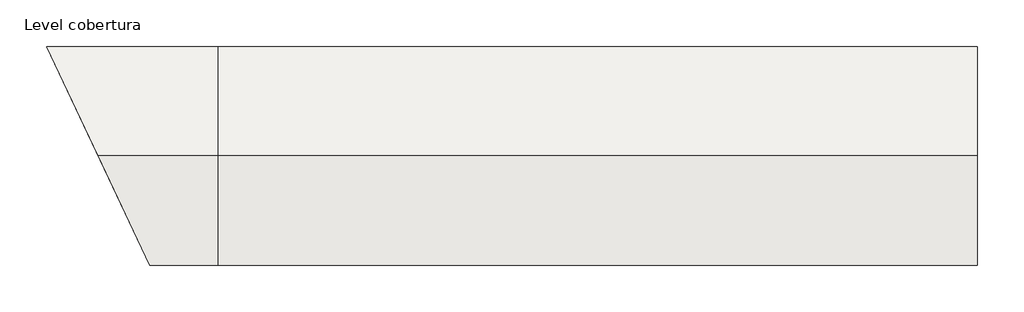
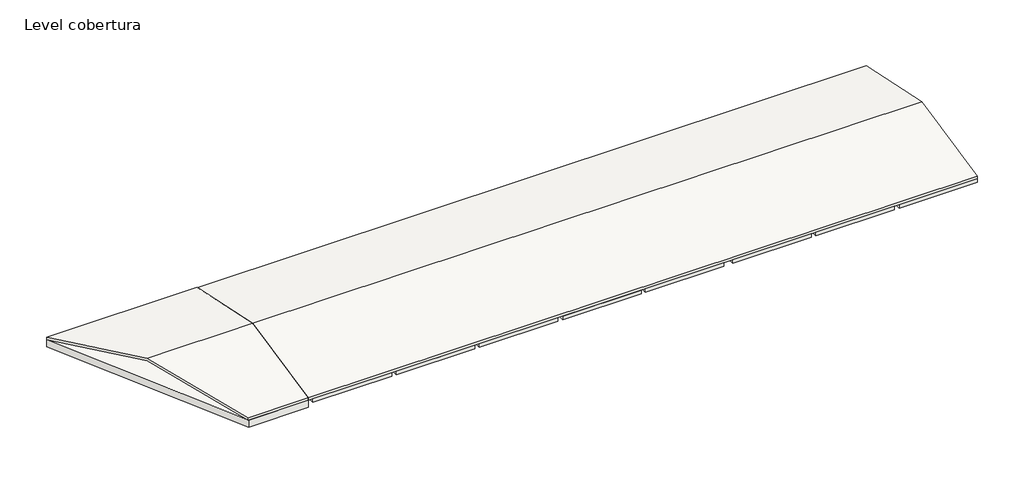
# One storey: 9 slabs, 2 roofs.
"""IFC4 building model written with IfcOpenShell, lengths in millimetres."""

from ifc_helpers import new_model, si_unit, frame, origin, place, context, project, spatial, polyline, outline, extrude, faceted_brep, element, save

model = new_model("IFC4")

# Units and contexts
model_context = context("Model", 3, world=origin())
ifc_project = project(units=[si_unit("LENGTHUNIT", "METRE", prefix="MILLI")], contexts=[model_context])

# Site, building, storey
site = spatial("IfcSite", under=ifc_project)
building = spatial("IfcBuilding", under=site)
storey = spatial("IfcBuildingStorey", under=building, Name="Level cobertura", Elevation=10950.0)

# Roofs
placement = place(None, origin())
element("IfcRoof", 1, ObjectType="Roof_Generic-125mm", at=placement, inside=storey, context=model_context, shape_type="SweptSolid", body=[
    extrude(outline(polyline([(-3895.1744049, 11077.7925744), (740.93084, 12063.2271648), (5377.0360849, 11077.7925744), (5377.0360849, 10950.0), (740.93084, 11935.4345904), (-3895.1744049, 10950.0), (-3895.1744049, 11077.7925744)])), frame((-22605.8659271, 0.0, 0.0), z_axis=(1.0, 0.0, 0.0), x_axis=(0.0, 1.0, 0.0)), (0.0, 0.0, 1.0), 32249.6145),
])
element("IfcRoof", 2, ObjectType="Roof_Generic-125mm", at=placement, inside=storey, context=model_context, shape_type="Brep", body=[
    faceted_brep([(-29857.2108702, 5377.0360849, 10950.0), (-22601.2514271, 5377.0360849, 10950.0), (-22601.2514271, 740.93084, 11935.4345904), (-27669.3334084, 740.93084, 11935.4345904), (-22601.2514271, -3895.1744049, 10950.0), (-25481.4559465, -3895.1744049, 10950.0), (-22601.2514271, 5377.0360849, 11077.7925744), (-29857.2108702, 5377.0360849, 11077.7925744), (-27669.3334084, 740.93084, 12063.2271648), (-22601.2514271, 740.93084, 12063.2271648), (-22601.2514271, -3895.1744049, 11077.7925744), (-25481.4559465, -3895.1744049, 11077.7925744)], [[[0, 1, 2, 3]], [[2, 4, 5, 3]], [[6, 7, 8, 9]], [[10, 9, 8, 11]], [[0, 7, 6, 1]], [[4, 10, 11, 5]], [[6, 9, 10, 4, 2, 1]], [[11, 8, 7, 0, 3, 5]]]),
])

# Slabs
element("IfcSlab", 3, at=placement, inside=storey, context=model_context, shape_type="SweptSolid", body=[
    extrude(outline(polyline([(-2136.6369271, -3902.9687773), (-2136.6369271, 5377.0360849), (1643.3630729, 5377.0360849), (1643.3630729, -3902.9687773), (-2136.6369271, -3902.9687773)])), frame((0.0, 0.0, 10780.0), z_axis=(0.0, 0.0, 1.0), x_axis=(1.0, 0.0, 0.0)), (0.0, 0.0, 1.0), 170.0),
])
element("IfcSlab", 4, at=placement, inside=storey, context=model_context, shape_type="SweptSolid", body=[
    extrude(outline(polyline([(-22605.8659271, 5377.0360849), (-22605.8659271, -3902.9687773), (-25477.777615, -3902.9687773), (-29857.2108702, 5377.0360849), (-22605.8659271, 5377.0360849)])), frame((0.0, 0.0, 10600.0), z_axis=(0.0, 0.0, 1.0), x_axis=(1.0, 0.0, 0.0)), (0.0, 0.0, 1.0), 350.0),
])
element("IfcSlab", 5, at=placement, inside=storey, context=model_context, shape_type="SweptSolid", body=[
    extrude(outline(polyline([(1863.3630729, -3902.9687773), (1863.3630729, 5377.0360849), (5643.3630729, 5377.0360849), (5643.3630729, -3902.9687773), (1863.3630729, -3902.9687773)])), frame((0.0, 0.0, 10780.0), z_axis=(0.0, 0.0, 1.0), x_axis=(1.0, 0.0, 0.0)), (0.0, 0.0, 1.0), 170.0),
])
element("IfcSlab", 6, at=placement, inside=storey, context=model_context, shape_type="SweptSolid", body=[
    extrude(outline(polyline([(5863.7485729, -3902.9687773), (5863.7485729, 5377.0360849), (9643.7485729, 5377.0360849), (9643.7485729, -3902.9687773), (5863.7485729, -3902.9687773)])), frame((0.0, 0.0, 10780.0), z_axis=(0.0, 0.0, 1.0), x_axis=(1.0, 0.0, 0.0)), (0.0, 0.0, 1.0), 170.0),
])
element("IfcSlab", 7, at=placement, inside=storey, context=model_context, shape_type="SweptSolid", body=[
    extrude(outline(polyline([(-6356.6369271, -3902.9687773), (-6356.6369271, 5377.0360849), (-2576.6369271, 5377.0360849), (-2576.6369271, -3902.9687773), (-6356.6369271, -3902.9687773)])), frame((0.0, 0.0, 10780.0), z_axis=(0.0, 0.0, 1.0), x_axis=(1.0, 0.0, 0.0)), (0.0, 0.0, 1.0), 170.0),
])
element("IfcSlab", 8, at=placement, inside=storey, context=model_context, shape_type="SweptSolid", body=[
    extrude(outline(polyline([(-10346.6369271, -3902.9687773), (-10346.6369271, 5377.0360849), (-6566.6369271, 5377.0360849), (-6566.6369271, -3902.9687773), (-10346.6369271, -3902.9687773)])), frame((0.0, 0.0, 10780.0), z_axis=(0.0, 0.0, 1.0), x_axis=(1.0, 0.0, 0.0)), (0.0, 0.0, 1.0), 170.0),
])
element("IfcSlab", 9, at=placement, inside=storey, context=model_context, shape_type="SweptSolid", body=[
    extrude(outline(polyline([(-14356.6369271, -3902.9687773), (-14356.6369271, 5377.0360849), (-10576.6369271, 5377.0360849), (-10576.6369271, -3902.9687773), (-14356.6369271, -3902.9687773)])), frame((0.0, 0.0, 10780.0), z_axis=(0.0, 0.0, 1.0), x_axis=(1.0, 0.0, 0.0)), (0.0, 0.0, 1.0), 170.0),
])
element("IfcSlab", 10, at=placement, inside=storey, context=model_context, shape_type="SweptSolid", body=[
    extrude(outline(polyline([(-18358.7514271, -3902.9687773), (-18358.7514271, 5377.0360849), (-14578.7514271, 5377.0360849), (-14578.7514271, -3902.9687773), (-18358.7514271, -3902.9687773)])), frame((0.0, 0.0, 10780.0), z_axis=(0.0, 0.0, 1.0), x_axis=(1.0, 0.0, 0.0)), (0.0, 0.0, 1.0), 170.0),
])
element("IfcSlab", 11, at=placement, inside=storey, context=model_context, shape_type="SweptSolid", body=[
    extrude(outline(polyline([(-22385.8659271, -3902.9687773), (-22385.8659271, 5377.0360849), (-18576.6369271, 5377.0360849), (-18576.6369271, -3902.9687773), (-22385.8659271, -3902.9687773)])), frame((0.0, 0.0, 10780.0), z_axis=(0.0, 0.0, 1.0), x_axis=(1.0, 0.0, 0.0)), (0.0, 0.0, 1.0), 170.0),
])

save(model, "model.ifc")
